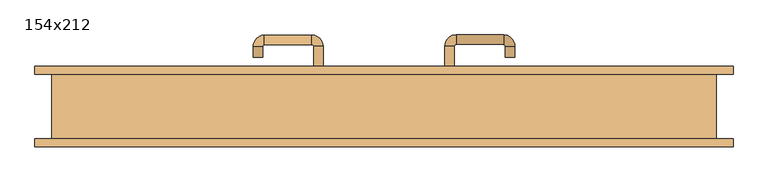
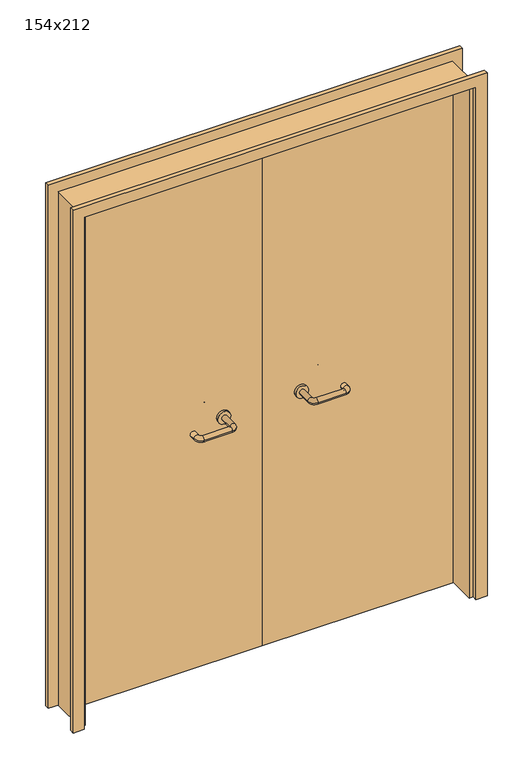
"""IFC4 building model written with IfcOpenShell, lengths in millimetres: door geometry, 154x212."""

from ifc_helpers import new_model, si_unit, point, frame, frame_2d, origin, place, context, project, spatial, polyline, circle_curve, ellipse_curve, trimmed, segment, composite_curve, outline, extrude, source, transform, mapped, element, save
from ifc_brep_helpers import plane_surface, cylinder_surface, revolved_surface, advanced_brep


def door_154x212_3df7a8b5(model_context):
    return source(origin(), model_context, "Body", "SolidModel", [
        extrude(outline(polyline([(2159.0, 809.0), (2159.0, -809.0), (0.0, -809.0), (0.0, -765.0), (2115.0, -765.0), (2115.0, 765.0), (0.0, 765.0), (0.0, 809.0), (2159.0, 809.0)])), frame((0.0, 75.0, 0.0), z_axis=(0.0, 1.0, 0.0), x_axis=(0.0, 0.0, 1.0)), (0.0, 0.0, 1.0), 18.0),
        extrude(outline(polyline([(2159.0, -809.0), (0.0, -809.0), (0.0, -765.0), (2115.0, -765.0), (2115.0, 765.0), (0.0, 765.0), (0.0, 809.0), (2159.0, 809.0), (2159.0, -809.0)])), frame((0.0, -93.0, 0.0), z_axis=(0.0, 1.0, 0.0), x_axis=(0.0, 0.0, 1.0)), (0.0, 0.0, 1.0), 18.0),
        extrude(outline(polyline([(2120.0, -770.0), (0.0, -770.0), (0.0, -750.0), (2100.0, -750.0), (2100.0, 750.0), (0.0, 750.0), (0.0, 770.0), (2120.0, 770.0), (2120.0, -770.0)])), frame((0.0, -74.0, 0.0), z_axis=(0.0, 1.0, 0.0), x_axis=(0.0, 0.0, 1.0)), (0.0, 0.0, 1.0), 149.0),
        advanced_brep(
        [(140.99898, 21.0, 1003.0), (162.99898, 21.0, 1003.0), (140.99898, -34.3525369, 1003.0), (162.99898, -34.3525369, 1003.0), (166.99898, -38.3525369, 1003.0), (166.99898, -60.3525369, 1003.0), (276.99898, -60.3525369, 1003.0), (276.99898, -38.3525369, 1003.0), (280.99898, -34.3525369, 1003.0), (302.99898, -34.3525369, 1003.0), (302.99898, -17.0, 1003.0), (280.99898, -17.0, 1003.0)],
        [
            (0, 1, circle_curve(frame((151.99898, 21.0, 1003.0), z_axis=(0.0, 1.0, 0.0), x_axis=(1.0, 0.0, 0.0)), 11.0)),
            (1, 0, circle_curve(frame((151.99898, 21.0, 1003.0), z_axis=(0.0, 1.0, 0.0), x_axis=(1.0, 0.0, 0.0)), 11.0)),
            (0, 2),
            (2, 3, circle_curve(frame((151.99898, -34.3525369, 1003.0), z_axis=(0.0, 1.0, 0.0), x_axis=(1.0, 0.0, 0.0)), 11.0)),
            (3, 1),
            (3, 2, circle_curve(frame((151.99898, -34.3525369, 1003.0), z_axis=(0.0, 1.0, 0.0), x_axis=(1.0, 0.0, 0.0)), 11.0)),
            (4, 3, circle_curve(frame((166.99898, -34.3525369, 1003.0), z_axis=(0.0, 0.0, -1.0), x_axis=(-1.0, 0.0, 0.0)), 4.0)),
            (2, 5, circle_curve(frame((166.99898, -34.3525369, 1003.0), z_axis=(0.0, 0.0, 1.0), x_axis=(-1.0, 0.0, 0.0)), 26.0)),
            (5, 4, circle_curve(frame((166.99898, -49.3525369, 1003.0), z_axis=(-1.0, 0.0, 0.0), x_axis=(0.0, 1.0, 0.0)), 11.0)),
            (4, 5, circle_curve(frame((166.99898, -49.3525369, 1003.0), z_axis=(-1.0, 0.0, 0.0), x_axis=(0.0, 1.0, 0.0)), 11.0)),
            (5, 6),
            (6, 7, circle_curve(frame((276.99898, -49.3525369, 1003.0), z_axis=(-1.0, 0.0, 0.0), x_axis=(0.0, 1.0, 0.0)), 11.0)),
            (7, 4),
            (7, 6, circle_curve(frame((276.99898, -49.3525369, 1003.0), z_axis=(-1.0, 0.0, 0.0), x_axis=(0.0, 1.0, 0.0)), 11.0)),
            (8, 7, circle_curve(frame((276.99898, -34.3525369, 1003.0), z_axis=(0.0, 0.0, -1.0), x_axis=(0.0, -1.0, 0.0)), 4.0)),
            (6, 9, circle_curve(frame((276.99898, -34.3525369, 1003.0), z_axis=(0.0, 0.0, 1.0), x_axis=(0.0, -1.0, 0.0)), 26.0)),
            (9, 8, circle_curve(frame((291.99898, -34.3525369, 1003.0), z_axis=(0.0, -1.0, 0.0), x_axis=(-1.0, 0.0, 0.0)), 11.0)),
            (8, 9, circle_curve(frame((291.99898, -34.3525369, 1003.0), z_axis=(0.0, -1.0, 0.0), x_axis=(-1.0, 0.0, 0.0)), 11.0)),
            (10, 11, circle_curve(frame((291.99898, -17.0, 1003.0), z_axis=(0.0, 1.0, 0.0), x_axis=(-1.0, 0.0, 0.0)), 11.0)),
            (11, 10, circle_curve(frame((291.99898, -17.0, 1003.0), z_axis=(0.0, 1.0, 0.0), x_axis=(-1.0, 0.0, 0.0)), 11.0)),
            (9, 10),
            (11, 8),
        ],
        [
            plane_surface(frame((140.99898, 21.0, 1003.0), z_axis=(0.0, 1.0, 0.0), x_axis=(0.0, 0.0, -1.0))),
            cylinder_surface(frame((151.99898, 21.0, 1003.0), z_axis=(0.0, 1.0, 0.0), x_axis=(1.0, 0.0, 0.0)), 11.0),
            revolved_surface(trimmed(ellipse_curve(frame((151.99898, -34.3525369, 1003.0), z_axis=(0.0, 1.0, 0.0), x_axis=(1.0, 0.0, 0.0)), 11.0, 11.0), [point((140.99898, -34.3525369, 1003.0))], [point((162.99898, -34.3525369, 1003.0))], True, "CARTESIAN"), (166.99898, -34.3525369, 1003.0), (0.0, 0.0, 1.0)),
            revolved_surface(trimmed(ellipse_curve(frame((151.99898, -34.3525369, 1003.0), z_axis=(0.0, 1.0, 0.0), x_axis=(1.0, 0.0, 0.0)), 11.0, 11.0), [point((162.99898, -34.3525369, 1003.0))], [point((140.99898, -34.3525369, 1003.0))], True, "CARTESIAN"), (166.99898, -34.3525369, 1003.0), (0.0, 0.0, 1.0)),
            cylinder_surface(frame((166.99898, -49.3525369, 1003.0), z_axis=(-1.0, 0.0, 0.0), x_axis=(0.0, 1.0, 0.0)), 11.0),
            revolved_surface(trimmed(ellipse_curve(frame((276.99898, -49.3525369, 1003.0), z_axis=(-1.0, 0.0, 0.0), x_axis=(0.0, 1.0, 0.0)), 11.0, 11.0), [point((276.99898, -60.3525369, 1003.0))], [point((276.99898, -38.3525369, 1003.0))], True, "CARTESIAN"), (276.99898, -34.3525369, 1003.0), (0.0, 0.0, 1.0)),
            revolved_surface(trimmed(ellipse_curve(frame((276.99898, -49.3525369, 1003.0), z_axis=(-1.0, 0.0, 0.0), x_axis=(0.0, 1.0, 0.0)), 11.0, 11.0), [point((276.99898, -38.3525369, 1003.0))], [point((276.99898, -60.3525369, 1003.0))], True, "CARTESIAN"), (276.99898, -34.3525369, 1003.0), (0.0, 0.0, 1.0)),
            plane_surface(frame((280.99898, -17.0, 1003.0), z_axis=(0.0, 1.0, 0.0), x_axis=(0.0, 0.0, 1.0))),
            cylinder_surface(frame((291.99898, -34.3525369, 1003.0), z_axis=(0.0, -1.0, 0.0), x_axis=(-1.0, 0.0, 0.0)), 11.0),
        ],
        [
            (0, [[1, 2]]),
            (1, [[-1, 3, 4, 5]]),
            (1, [[-2, -5, 6, -3]]),
            (2, [[7, -4, 8, 9]]),
            (3, [[-8, -6, -7, 10]]),
            (4, [[-9, 11, 12, 13]]),
            (4, [[-10, -13, 14, -11]]),
            (5, [[15, -12, 16, 17]]),
            (6, [[-16, -14, -15, 18]]),
            (7, [[19, 20]]),
            (8, [[-17, 21, -20, 22]]),
            (8, [[-18, -22, -19, -21]]),
        ],
    ),
        extrude(outline(composite_curve([segment(trimmed(circle_curve(frame_2d((1003.0, 151.99898)), 25.0), [point((1003.0, 126.99898))], [point((1003.0, 176.99898))], False, "CARTESIAN"), True, "CONTINUOUS"), segment(trimmed(circle_curve(frame_2d((1003.0, 151.99898)), 25.0), [point((1003.0, 176.99898))], [point((1003.0, 126.99898))], False, "CARTESIAN"), True, "CONTINUOUS")], self_intersect=False)), frame((0.0, 21.0, 0.0), z_axis=(0.0, 1.0, 0.0), x_axis=(0.0, 0.0, 1.0)), (0.0, 0.0, 1.0), 10.0),
        advanced_brep(
        [(162.99898, 85.0, 1003.0), (140.99898, 85.0, 1003.0), (162.99898, 140.0, 1003.0), (140.99898, 140.0, 1003.0), (166.99898, 166.0, 1003.0), (166.99898, 144.0, 1003.0), (276.99898, 144.0, 1003.0), (276.99898, 166.0, 1003.0), (302.99898, 140.0, 1003.0), (280.99898, 140.0, 1003.0), (280.99898, 115.0, 1003.0), (302.99898, 115.0, 1003.0)],
        [
            (0, 1, circle_curve(frame((151.99898, 85.0, 1003.0), z_axis=(0.0, -1.0, 0.0), x_axis=(-1.0, 0.0, 0.0)), 11.0)),
            (1, 0, circle_curve(frame((151.99898, 85.0, 1003.0), z_axis=(0.0, -1.0, 0.0), x_axis=(-1.0, 0.0, 0.0)), 11.0)),
            (0, 2),
            (2, 3, circle_curve(frame((151.99898, 140.0, 1003.0), z_axis=(0.0, -1.0, 0.0), x_axis=(-1.0, 0.0, 0.0)), 11.0)),
            (3, 1),
            (3, 2, circle_curve(frame((151.99898, 140.0, 1003.0), z_axis=(0.0, -1.0, 0.0), x_axis=(-1.0, 0.0, 0.0)), 11.0)),
            (4, 3, circle_curve(frame((166.99898, 140.0, 1003.0), z_axis=(0.0, 0.0, 1.0), x_axis=(-1.0, 0.0, 0.0)), 26.0)),
            (2, 5, circle_curve(frame((166.99898, 140.0, 1003.0), z_axis=(0.0, 0.0, -1.0), x_axis=(-1.0, 0.0, 0.0)), 4.0)),
            (5, 4, circle_curve(frame((166.99898, 155.0, 1003.0), z_axis=(-1.0, 0.0, 0.0), x_axis=(0.0, 1.0, 0.0)), 11.0)),
            (4, 5, circle_curve(frame((166.99898, 155.0, 1003.0), z_axis=(-1.0, 0.0, 0.0), x_axis=(0.0, 1.0, 0.0)), 11.0)),
            (5, 6),
            (6, 7, circle_curve(frame((276.99898, 155.0, 1003.0), z_axis=(-1.0, 0.0, 0.0), x_axis=(0.0, 1.0, 0.0)), 11.0)),
            (7, 4),
            (7, 6, circle_curve(frame((276.99898, 155.0, 1003.0), z_axis=(-1.0, 0.0, 0.0), x_axis=(0.0, 1.0, 0.0)), 11.0)),
            (8, 7, circle_curve(frame((276.99898, 140.0, 1003.0), z_axis=(0.0, 0.0, 1.0), x_axis=(0.0, 1.0, 0.0)), 26.0)),
            (6, 9, circle_curve(frame((276.99898, 140.0, 1003.0), z_axis=(0.0, 0.0, -1.0), x_axis=(0.0, 1.0, 0.0)), 4.0)),
            (9, 8, circle_curve(frame((291.99898, 140.0, 1003.0), z_axis=(0.0, 1.0, 0.0), x_axis=(1.0, 0.0, 0.0)), 11.0)),
            (8, 9, circle_curve(frame((291.99898, 140.0, 1003.0), z_axis=(0.0, 1.0, 0.0), x_axis=(1.0, 0.0, 0.0)), 11.0)),
            (10, 11, circle_curve(frame((291.99898, 115.0, 1003.0), z_axis=(0.0, -1.0, 0.0), x_axis=(1.0, 0.0, 0.0)), 11.0)),
            (11, 10, circle_curve(frame((291.99898, 115.0, 1003.0), z_axis=(0.0, -1.0, 0.0), x_axis=(1.0, 0.0, 0.0)), 11.0)),
            (9, 10),
            (11, 8),
        ],
        [
            plane_surface(frame((140.99898, 85.0, 1003.0), z_axis=(0.0, -1.0, 0.0), x_axis=(0.0, 0.0, 1.0))),
            cylinder_surface(frame((151.99898, 85.0, 1003.0), z_axis=(0.0, -1.0, 0.0), x_axis=(-1.0, 0.0, 0.0)), 11.0),
            revolved_surface(trimmed(ellipse_curve(frame((151.99898, 140.0, 1003.0), z_axis=(0.0, -1.0, 0.0), x_axis=(-1.0, 0.0, 0.0)), 11.0, 11.0), [point((162.99898, 140.0, 1003.0))], [point((140.99898, 140.0, 1003.0))], True, "CARTESIAN"), (166.99898, 140.0, 1003.0), (0.0, 0.0, -1.0)),
            revolved_surface(trimmed(ellipse_curve(frame((151.99898, 140.0, 1003.0), z_axis=(0.0, -1.0, 0.0), x_axis=(-1.0, 0.0, 0.0)), 11.0, 11.0), [point((140.99898, 140.0, 1003.0))], [point((162.99898, 140.0, 1003.0))], True, "CARTESIAN"), (166.99898, 140.0, 1003.0), (0.0, 0.0, -1.0)),
            cylinder_surface(frame((166.99898, 155.0, 1003.0), z_axis=(-1.0, 0.0, 0.0), x_axis=(0.0, 1.0, 0.0)), 11.0),
            revolved_surface(trimmed(ellipse_curve(frame((276.99898, 155.0, 1003.0), z_axis=(-1.0, 0.0, 0.0), x_axis=(0.0, 1.0, 0.0)), 11.0, 11.0), [point((276.99898, 144.0, 1003.0))], [point((276.99898, 166.0, 1003.0))], True, "CARTESIAN"), (276.99898, 140.0, 1003.0), (0.0, 0.0, -1.0)),
            revolved_surface(trimmed(ellipse_curve(frame((276.99898, 155.0, 1003.0), z_axis=(-1.0, 0.0, 0.0), x_axis=(0.0, 1.0, 0.0)), 11.0, 11.0), [point((276.99898, 166.0, 1003.0))], [point((276.99898, 144.0, 1003.0))], True, "CARTESIAN"), (276.99898, 140.0, 1003.0), (0.0, 0.0, -1.0)),
            plane_surface(frame((280.99898, 115.0, 1003.0), z_axis=(0.0, -1.0, 0.0), x_axis=(0.0, 0.0, -1.0))),
            cylinder_surface(frame((291.99898, 140.0, 1003.0), z_axis=(0.0, 1.0, 0.0), x_axis=(1.0, 0.0, 0.0)), 11.0),
        ],
        [
            (0, [[1, 2]]),
            (1, [[-1, 3, 4, 5]]),
            (1, [[-2, -5, 6, -3]]),
            (2, [[7, -4, 8, 9]]),
            (3, [[-8, -6, -7, 10]]),
            (4, [[-9, 11, 12, 13]]),
            (4, [[-10, -13, 14, -11]]),
            (5, [[15, -12, 16, 17]]),
            (6, [[-16, -14, -15, 18]]),
            (7, [[19, 20]]),
            (8, [[-17, 21, -20, 22]]),
            (8, [[-18, -22, -19, -21]]),
        ],
    ),
        extrude(outline(composite_curve([segment(trimmed(circle_curve(frame_2d((1003.0, 151.99898)), 25.0), [point((1003.0, 176.99898))], [point((1003.0, 126.99898))], False, "CARTESIAN"), True, "CONTINUOUS"), segment(trimmed(circle_curve(frame_2d((1003.0, 151.99898)), 25.0), [point((1003.0, 126.99898))], [point((1003.0, 176.99898))], False, "CARTESIAN"), True, "CONTINUOUS")], self_intersect=False)), frame((0.0, 75.0, 0.0), z_axis=(0.0, 1.0, 0.0), x_axis=(0.0, 0.0, 1.0)), (0.0, 0.0, 1.0), 10.0),
        advanced_brep(
        [(-162.99898, 20.6886121, 1003.0), (-140.99898, 20.6886121, 1003.0), (-162.99898, -34.7220447, 1003.0), (-140.99898, -34.7220447, 1003.0), (-166.99898, -60.7220447, 1003.0), (-166.99898, -38.7220447, 1003.0), (-276.99898, -38.7220447, 1003.0), (-276.99898, -60.7220447, 1003.0), (-302.99898, -34.7220447, 1003.0), (-280.99898, -34.7220447, 1003.0), (-280.99898, -9.7220447, 1003.0), (-302.99898, -9.7220447, 1003.0)],
        [
            (0, 1, circle_curve(frame((-151.99898, 20.6886121, 1003.0), z_axis=(0.0, 1.0, 0.0), x_axis=(1.0, 0.0, 0.0)), 11.0)),
            (1, 0, circle_curve(frame((-151.99898, 20.6886121, 1003.0), z_axis=(0.0, 1.0, 0.0), x_axis=(1.0, 0.0, 0.0)), 11.0)),
            (0, 2),
            (2, 3, circle_curve(frame((-151.99898, -34.7220447, 1003.0), z_axis=(0.0, 1.0, 0.0), x_axis=(1.0, 0.0, 0.0)), 11.0)),
            (3, 1),
            (3, 2, circle_curve(frame((-151.99898, -34.7220447, 1003.0), z_axis=(0.0, 1.0, 0.0), x_axis=(1.0, 0.0, 0.0)), 11.0)),
            (4, 3, circle_curve(frame((-166.99898, -34.7220447, 1003.0), z_axis=(0.0, 0.0, 1.0), x_axis=(1.0, 0.0, 0.0)), 26.0)),
            (2, 5, circle_curve(frame((-166.99898, -34.7220447, 1003.0), z_axis=(0.0, 0.0, -1.0), x_axis=(1.0, 0.0, 0.0)), 4.0)),
            (5, 4, circle_curve(frame((-166.99898, -49.7220447, 1003.0), z_axis=(1.0, 0.0, 0.0), x_axis=(0.0, -1.0, 0.0)), 11.0)),
            (4, 5, circle_curve(frame((-166.99898, -49.7220447, 1003.0), z_axis=(1.0, 0.0, 0.0), x_axis=(0.0, -1.0, 0.0)), 11.0)),
            (5, 6),
            (6, 7, circle_curve(frame((-276.99898, -49.7220447, 1003.0), z_axis=(1.0, 0.0, 0.0), x_axis=(0.0, -1.0, 0.0)), 11.0)),
            (7, 4),
            (7, 6, circle_curve(frame((-276.99898, -49.7220447, 1003.0), z_axis=(1.0, 0.0, 0.0), x_axis=(0.0, -1.0, 0.0)), 11.0)),
            (8, 7, circle_curve(frame((-276.99898, -34.7220447, 1003.0), z_axis=(0.0, 0.0, 1.0), x_axis=(0.0, -1.0, 0.0)), 26.0)),
            (6, 9, circle_curve(frame((-276.99898, -34.7220447, 1003.0), z_axis=(0.0, 0.0, -1.0), x_axis=(0.0, -1.0, 0.0)), 4.0)),
            (9, 8, circle_curve(frame((-291.99898, -34.7220447, 1003.0), z_axis=(0.0, -1.0, 0.0), x_axis=(-1.0, 0.0, 0.0)), 11.0)),
            (8, 9, circle_curve(frame((-291.99898, -34.7220447, 1003.0), z_axis=(0.0, -1.0, 0.0), x_axis=(-1.0, 0.0, 0.0)), 11.0)),
            (10, 11, circle_curve(frame((-291.99898, -9.7220447, 1003.0), z_axis=(0.0, 1.0, 0.0), x_axis=(-1.0, 0.0, 0.0)), 11.0)),
            (11, 10, circle_curve(frame((-291.99898, -9.7220447, 1003.0), z_axis=(0.0, 1.0, 0.0), x_axis=(-1.0, 0.0, 0.0)), 11.0)),
            (9, 10),
            (11, 8),
        ],
        [
            plane_surface(frame((-162.99898, 20.6886121, 1003.0), z_axis=(0.0, 1.0, 0.0), x_axis=(0.0, 0.0, -1.0))),
            cylinder_surface(frame((-151.99898, 20.6886121, 1003.0), z_axis=(0.0, 1.0, 0.0), x_axis=(1.0, 0.0, 0.0)), 11.0),
            revolved_surface(trimmed(ellipse_curve(frame((-151.99898, -34.7220447, 1003.0), z_axis=(0.0, 1.0, 0.0), x_axis=(1.0, 0.0, 0.0)), 11.0, 11.0), [point((-162.99898, -34.7220447, 1003.0))], [point((-140.99898, -34.7220447, 1003.0))], True, "CARTESIAN"), (-166.99898, -34.7220447, 1003.0), (0.0, 0.0, -1.0)),
            revolved_surface(trimmed(ellipse_curve(frame((-151.99898, -34.7220447, 1003.0), z_axis=(0.0, 1.0, 0.0), x_axis=(1.0, 0.0, 0.0)), 11.0, 11.0), [point((-140.99898, -34.7220447, 1003.0))], [point((-162.99898, -34.7220447, 1003.0))], True, "CARTESIAN"), (-166.99898, -34.7220447, 1003.0), (0.0, 0.0, -1.0)),
            cylinder_surface(frame((-166.99898, -49.7220447, 1003.0), z_axis=(1.0, 0.0, 0.0), x_axis=(0.0, -1.0, 0.0)), 11.0),
            revolved_surface(trimmed(ellipse_curve(frame((-276.99898, -49.7220447, 1003.0), z_axis=(1.0, 0.0, 0.0), x_axis=(0.0, -1.0, 0.0)), 11.0, 11.0), [point((-276.99898, -38.7220447, 1003.0))], [point((-276.99898, -60.7220447, 1003.0))], True, "CARTESIAN"), (-276.99898, -34.7220447, 1003.0), (0.0, 0.0, -1.0)),
            revolved_surface(trimmed(ellipse_curve(frame((-276.99898, -49.7220447, 1003.0), z_axis=(1.0, 0.0, 0.0), x_axis=(0.0, -1.0, 0.0)), 11.0, 11.0), [point((-276.99898, -60.7220447, 1003.0))], [point((-276.99898, -38.7220447, 1003.0))], True, "CARTESIAN"), (-276.99898, -34.7220447, 1003.0), (0.0, 0.0, -1.0)),
            plane_surface(frame((-302.99898, -9.7220447, 1003.0), z_axis=(0.0, 1.0, 0.0), x_axis=(0.0, 0.0, 1.0))),
            cylinder_surface(frame((-291.99898, -34.7220447, 1003.0), z_axis=(0.0, -1.0, 0.0), x_axis=(-1.0, 0.0, 0.0)), 11.0),
        ],
        [
            (0, [[1, 2]]),
            (1, [[-1, 3, 4, 5]]),
            (1, [[-2, -5, 6, -3]]),
            (2, [[7, -4, 8, 9]]),
            (3, [[-8, -6, -7, 10]]),
            (4, [[-9, 11, 12, 13]]),
            (4, [[-10, -13, 14, -11]]),
            (5, [[15, -12, 16, 17]]),
            (6, [[-16, -14, -15, 18]]),
            (7, [[19, 20]]),
            (8, [[-17, 21, -20, 22]]),
            (8, [[-18, -22, -19, -21]]),
        ],
    ),
        extrude(outline(composite_curve([segment(trimmed(circle_curve(frame_2d((1003.0, -151.99898)), 25.0), [point((1003.0, -176.99898))], [point((1003.0, -126.99898))], False, "CARTESIAN"), True, "CONTINUOUS"), segment(trimmed(circle_curve(frame_2d((1003.0, -151.99898)), 25.0), [point((1003.0, -126.99898))], [point((1003.0, -176.99898))], False, "CARTESIAN"), True, "CONTINUOUS")], self_intersect=False)), frame((0.0, 20.6886121, 0.0), z_axis=(0.0, 1.0, 0.0), x_axis=(0.0, 0.0, 1.0)), (0.0, 0.0, 1.0), 10.3113879),
        advanced_brep(
        [(-140.99898, 84.5143417, 1003.0), (-162.99898, 84.5143417, 1003.0), (-140.99898, 139.6104656, 1003.0), (-162.99898, 139.6104656, 1003.0), (-166.99898, 143.6104656, 1003.0), (-166.99898, 165.6104656, 1003.0), (-276.99898, 165.6104656, 1003.0), (-276.99898, 143.6104656, 1003.0), (-280.99898, 139.6104656, 1003.0), (-302.99898, 139.6104656, 1003.0), (-302.99898, 114.6104656, 1003.0), (-280.99898, 114.6104656, 1003.0)],
        [
            (0, 1, circle_curve(frame((-151.99898, 84.5143417, 1003.0), z_axis=(0.0, -1.0, 0.0), x_axis=(-1.0, 0.0, 0.0)), 11.0)),
            (1, 0, circle_curve(frame((-151.99898, 84.5143417, 1003.0), z_axis=(0.0, -1.0, 0.0), x_axis=(-1.0, 0.0, 0.0)), 11.0)),
            (0, 2),
            (2, 3, circle_curve(frame((-151.99898, 139.6104656, 1003.0), z_axis=(0.0, -1.0, 0.0), x_axis=(-1.0, 0.0, 0.0)), 11.0)),
            (3, 1),
            (3, 2, circle_curve(frame((-151.99898, 139.6104656, 1003.0), z_axis=(0.0, -1.0, 0.0), x_axis=(-1.0, 0.0, 0.0)), 11.0)),
            (4, 3, circle_curve(frame((-166.99898, 139.6104656, 1003.0), z_axis=(0.0, 0.0, -1.0), x_axis=(1.0, 0.0, 0.0)), 4.0)),
            (2, 5, circle_curve(frame((-166.99898, 139.6104656, 1003.0), z_axis=(0.0, 0.0, 1.0), x_axis=(1.0, 0.0, 0.0)), 26.0)),
            (5, 4, circle_curve(frame((-166.99898, 154.6104656, 1003.0), z_axis=(1.0, 0.0, 0.0), x_axis=(0.0, -1.0, 0.0)), 11.0)),
            (4, 5, circle_curve(frame((-166.99898, 154.6104656, 1003.0), z_axis=(1.0, 0.0, 0.0), x_axis=(0.0, -1.0, 0.0)), 11.0)),
            (5, 6),
            (6, 7, circle_curve(frame((-276.99898, 154.6104656, 1003.0), z_axis=(1.0, 0.0, 0.0), x_axis=(0.0, -1.0, 0.0)), 11.0)),
            (7, 4),
            (7, 6, circle_curve(frame((-276.99898, 154.6104656, 1003.0), z_axis=(1.0, 0.0, 0.0), x_axis=(0.0, -1.0, 0.0)), 11.0)),
            (8, 7, circle_curve(frame((-276.99898, 139.6104656, 1003.0), z_axis=(0.0, 0.0, -1.0), x_axis=(0.0, 1.0, 0.0)), 4.0)),
            (6, 9, circle_curve(frame((-276.99898, 139.6104656, 1003.0), z_axis=(0.0, 0.0, 1.0), x_axis=(0.0, 1.0, 0.0)), 26.0)),
            (9, 8, circle_curve(frame((-291.99898, 139.6104656, 1003.0), z_axis=(0.0, 1.0, 0.0), x_axis=(1.0, 0.0, 0.0)), 11.0)),
            (8, 9, circle_curve(frame((-291.99898, 139.6104656, 1003.0), z_axis=(0.0, 1.0, 0.0), x_axis=(1.0, 0.0, 0.0)), 11.0)),
            (10, 11, circle_curve(frame((-291.99898, 114.6104656, 1003.0), z_axis=(0.0, -1.0, 0.0), x_axis=(1.0, 0.0, 0.0)), 11.0)),
            (11, 10, circle_curve(frame((-291.99898, 114.6104656, 1003.0), z_axis=(0.0, -1.0, 0.0), x_axis=(1.0, 0.0, 0.0)), 11.0)),
            (9, 10),
            (11, 8),
        ],
        [
            plane_surface(frame((-162.99898, 84.5143417, 1003.0), z_axis=(0.0, -1.0, 0.0), x_axis=(0.0, 0.0, 1.0))),
            cylinder_surface(frame((-151.99898, 84.5143417, 1003.0), z_axis=(0.0, -1.0, 0.0), x_axis=(-1.0, 0.0, 0.0)), 11.0),
            revolved_surface(trimmed(ellipse_curve(frame((-151.99898, 139.6104656, 1003.0), z_axis=(0.0, -1.0, 0.0), x_axis=(-1.0, 0.0, 0.0)), 11.0, 11.0), [point((-140.99898, 139.6104656, 1003.0))], [point((-162.99898, 139.6104656, 1003.0))], True, "CARTESIAN"), (-166.99898, 139.6104656, 1003.0), (0.0, 0.0, 1.0)),
            revolved_surface(trimmed(ellipse_curve(frame((-151.99898, 139.6104656, 1003.0), z_axis=(0.0, -1.0, 0.0), x_axis=(-1.0, 0.0, 0.0)), 11.0, 11.0), [point((-162.99898, 139.6104656, 1003.0))], [point((-140.99898, 139.6104656, 1003.0))], True, "CARTESIAN"), (-166.99898, 139.6104656, 1003.0), (0.0, 0.0, 1.0)),
            cylinder_surface(frame((-166.99898, 154.6104656, 1003.0), z_axis=(1.0, 0.0, 0.0), x_axis=(0.0, -1.0, 0.0)), 11.0),
            revolved_surface(trimmed(ellipse_curve(frame((-276.99898, 154.6104656, 1003.0), z_axis=(1.0, 0.0, 0.0), x_axis=(0.0, -1.0, 0.0)), 11.0, 11.0), [point((-276.99898, 165.6104656, 1003.0))], [point((-276.99898, 143.6104656, 1003.0))], True, "CARTESIAN"), (-276.99898, 139.6104656, 1003.0), (0.0, 0.0, 1.0)),
            revolved_surface(trimmed(ellipse_curve(frame((-276.99898, 154.6104656, 1003.0), z_axis=(1.0, 0.0, 0.0), x_axis=(0.0, -1.0, 0.0)), 11.0, 11.0), [point((-276.99898, 143.6104656, 1003.0))], [point((-276.99898, 165.6104656, 1003.0))], True, "CARTESIAN"), (-276.99898, 139.6104656, 1003.0), (0.0, 0.0, 1.0)),
            plane_surface(frame((-302.99898, 114.6104656, 1003.0), z_axis=(0.0, -1.0, 0.0), x_axis=(0.0, 0.0, -1.0))),
            cylinder_surface(frame((-291.99898, 139.6104656, 1003.0), z_axis=(0.0, 1.0, 0.0), x_axis=(1.0, 0.0, 0.0)), 11.0),
        ],
        [
            (0, [[1, 2]]),
            (1, [[-1, 3, 4, 5]]),
            (1, [[-2, -5, 6, -3]]),
            (2, [[7, -4, 8, 9]]),
            (3, [[-8, -6, -7, 10]]),
            (4, [[-9, 11, 12, 13]]),
            (4, [[-10, -13, 14, -11]]),
            (5, [[15, -12, 16, 17]]),
            (6, [[-16, -14, -15, 18]]),
            (7, [[19, 20]]),
            (8, [[-17, 21, -20, 22]]),
            (8, [[-18, -22, -19, -21]]),
        ],
    ),
        extrude(outline(composite_curve([segment(trimmed(circle_curve(frame_2d((1003.0, -151.99898)), 25.0), [point((1003.0, -126.99898))], [point((1003.0, -176.99898))], False, "CARTESIAN"), True, "CONTINUOUS"), segment(trimmed(circle_curve(frame_2d((1003.0, -151.99898)), 25.0), [point((1003.0, -176.99898))], [point((1003.0, -126.99898))], False, "CARTESIAN"), True, "CONTINUOUS")], self_intersect=False)), frame((0.0, 75.0, 0.0), z_axis=(0.0, 1.0, 0.0), x_axis=(0.0, 0.0, 1.0)), (0.0, 0.0, 1.0), 9.5143417),
        extrude(outline(polyline([(1.0739506, 31.0), (-747.0, 31.0), (-747.0, 75.0), (1.0739506, 75.0), (1.0739506, 31.0)])), frame((0.0, 0.0, 1.753223), z_axis=(0.0, 0.0, 1.0), x_axis=(1.0, 0.0, 0.0)), (0.0, 0.0, 1.0), 2098.246777),
        extrude(outline(polyline([(747.0, 31.0), (1.0739506, 31.0), (1.0739506, 75.0), (747.0, 75.0), (747.0, 31.0)])), frame((0.0, 0.0, 1.753223), z_axis=(0.0, 0.0, 1.0), x_axis=(1.0, 0.0, 0.0)), (0.0, 0.0, 1.0), 2098.246777),
    ])


if __name__ == "__main__":
    model = new_model("IFC4")
    model_context = context("Model", 3, world=origin())
    ifc_project = project(units=[si_unit("LENGTHUNIT", "METRE", prefix="MILLI")], contexts=[model_context])
    site = spatial("IfcSite", under=ifc_project)
    building = spatial("IfcBuilding", under=site)
    placement = place(None, origin())
    door_154x212_shape = door_154x212_3df7a8b5(model_context)
    element("IfcDoor", 1, ObjectType="154x212", at=placement, inside=building, context=model_context, shape_type="MappedRepresentation", body=[
        mapped(door_154x212_shape, transform((0.0, 0.0, 0.0), x_axis=(1.0, 0.0, 0.0), y_axis=(0.0, 1.0, 0.0), z_axis=(0.0, 0.0, 1.0))),
    ])
    save(model, "model.ifc")
